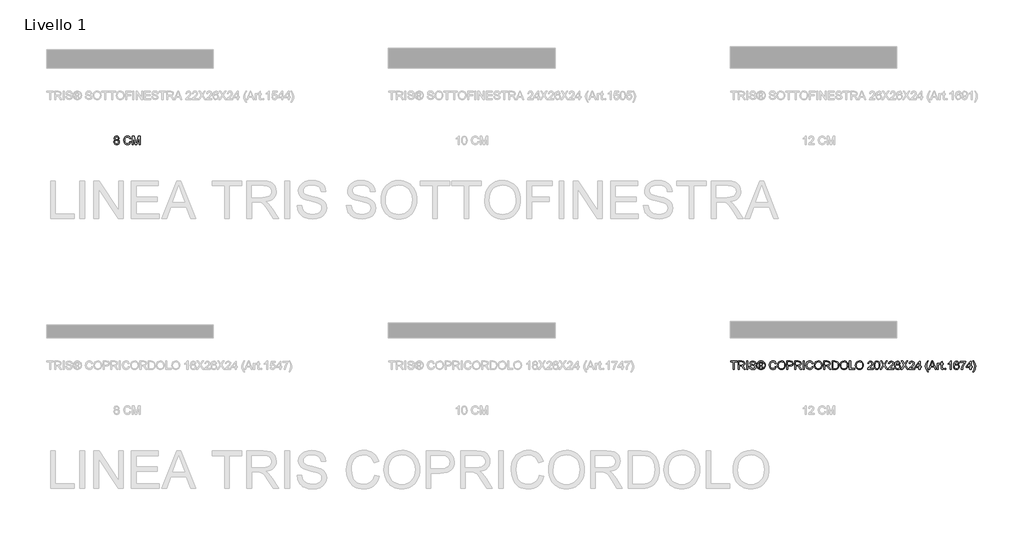
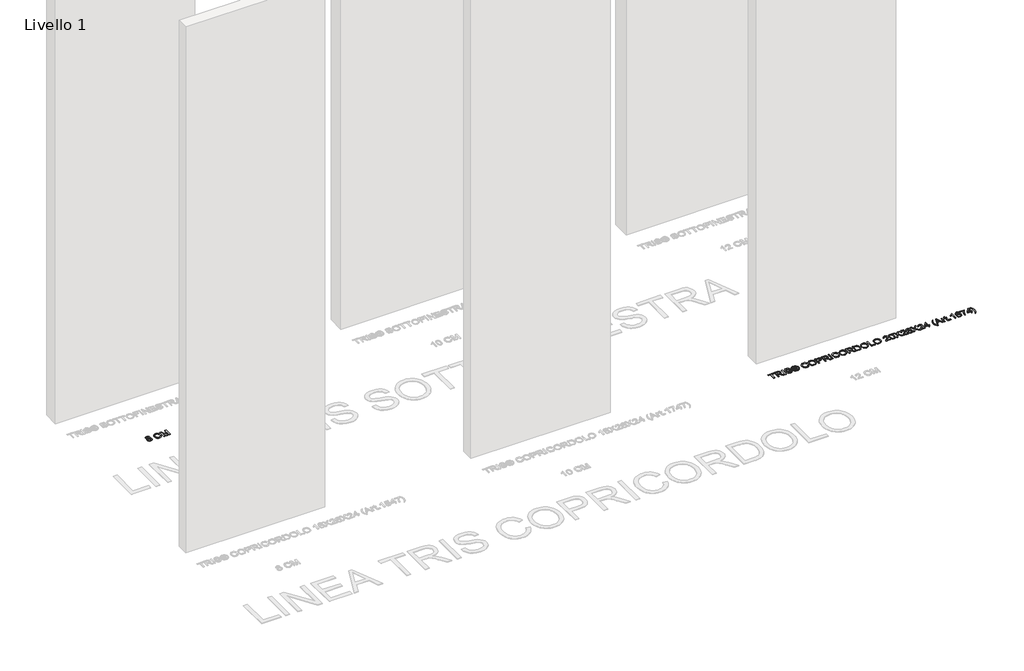
# One storey, part 4 of 16: 2 proxies.
"""IFC4 building model written with IfcOpenShell, lengths in millimetres."""

from ifc_helpers import new_model, si_unit, origin, origin_with_axes, place, context, project, spatial, polyline, outline, extrude, element, save

model = new_model("IFC4")

# Units and contexts
model_context = context("Model", 3, world=origin())
ifc_project = project(units=[si_unit("LENGTHUNIT", "METRE", prefix="MILLI")], contexts=[model_context])

# Site, building, storey
site = spatial("IfcSite", under=ifc_project)
building = spatial("IfcBuilding", under=site)
storey = spatial("IfcBuildingStorey", under=building, Name="Livello 1", Elevation=0.0)

# Proxies
placement = place(None, origin())
element("IfcBuildingElementProxy", 1, Name="100", ObjectType="100", at=placement, inside=storey, context=model_context, shape_type="SweptSolid", body=[
    extrude(outline(polyline([(2625.2646003, -1780.9291431), (2625.2646003, -1693.0298717), (2592.3023735, -1693.0298717), (2592.3023735, -1680.472833), (2670.7838658, -1680.472833), (2670.7838658, -1693.0298717), (2637.8216391, -1693.0298717), (2637.8216391, -1780.9291431), (2625.2646003, -1780.9291431)])), origin_with_axes(), (0.0, 0.0, 1.0), 5.0),
    extrude(outline(polyline([(2684.9105345, -1780.9291431), (2684.9105345, -1680.472833), (2728.1979826, -1680.472833), (2748.2966022, -1683.182897), (2759.2840112, -1692.7723543), (2763.3920268, -1707.9658807), (2761.6905725, -1717.8619064), (2756.5862099, -1726.0656749), (2747.9256546, -1732.0805455), (2735.5556225, -1735.4098776), (2742.6925332, -1740.7809547), (2752.8706017, -1753.7058755), (2769.6214952, -1780.9291431), (2755.0288427, -1780.9291431), (2741.9567692, -1760.1070222), (2732.5144646, -1746.3237101), (2725.880326, -1739.8121988), (2719.9083749, -1737.4209658), (2712.6243114, -1736.9795074), (2697.4675732, -1736.9795074), (2697.4675732, -1780.9291431), (2684.9105345, -1780.9291431)]), holes=[polyline([(2697.4675732, -1724.4224686), (2725.5737577, -1724.4224686), (2739.9088927, -1722.6443723), (2748.0513476, -1716.9544641), (2750.834988, -1708.4318646), (2745.5252245, -1697.3708793), (2728.7375428, -1693.0298717), (2697.4675732, -1693.0298717), (2697.4675732, -1724.4224686)])]), origin_with_axes(), (0.0, 0.0, 1.0), 5.0),
    extrude(outline(polyline([(2786.9364745, -1780.9291431), (2786.9364745, -1680.472833), (2799.4935132, -1680.472833), (2799.4935132, -1780.9291431), (2786.9364745, -1780.9291431)])), origin_with_axes(), (0.0, 0.0, 1.0), 5.0),
    extrude(outline(polyline([(2819.8987012, -1746.3972865), (2832.45574, -1746.3972865), (2836.5024419, -1758.966588), (2846.3862049, -1766.9128391), (2861.4448412, -1769.9417342), (2874.5659657, -1767.6486031), (2883.0395143, -1761.3455582), (2885.8231548, -1752.9210605), (2883.7384901, -1745.085174), (2875.2036278, -1739.3830031), (2856.9198927, -1734.5882744), (2837.2382059, -1728.3955942), (2826.5573653, -1719.0513915), (2823.0379609, -1706.5679291), (2827.3912312, -1692.3554214), (2840.1076855, -1682.3245057), (2858.7225144, -1678.9032031), (2878.5881422, -1682.4839212), (2891.831894, -1693.0053463), (2896.8105637, -1708.7261702), (2884.2535249, -1708.7261702), (2881.9481311, -1701.2336402), (2877.1411397, -1695.8257749), (2859.2130238, -1691.4602419), (2841.2358569, -1695.7767239), (2835.5949997, -1706.2000471), (2839.5926507, -1714.9065877), (2860.0959406, -1721.9208711), (2882.3160131, -1728.2239159), (2894.4683816, -1738.4019845), (2898.3801935, -1752.6022295), (2893.8797705, -1767.6240776), (2880.9303242, -1778.5869611), (2861.9353505, -1782.4987729), (2839.5068116, -1778.2803927), (2825.3188293, -1765.5762012), (2819.8987012, -1746.3972865)])), origin_with_axes(), (0.0, 0.0, 1.0), 5.0),
    extrude(outline(polyline([(2934.48168, -1762.0935849), (2934.48168, -1699.3083911), (2954.7642407, -1699.3083911), (2969.822877, -1701.0374365), (2977.2418306, -1707.0707012), (2980.0009455, -1716.2309629), (2975.2430051, -1728.1503395), (2962.6369154, -1733.8402477), (2967.5420086, -1737.1757111), (2976.1013964, -1749.7082244), (2983.1402052, -1762.0935849), (2972.5452038, -1762.0935849), (2967.0269738, -1752.1362456), (2957.780873, -1737.7152714), (2949.7610455, -1735.4098776), (2943.8994591, -1735.4098776), (2943.8994591, -1762.0935849), (2934.48168, -1762.0935849)]), holes=[polyline([(2943.8994591, -1725.9920985), (2955.8188357, -1725.9920985), (2967.4684322, -1723.6008655), (2970.5831664, -1717.2610325), (2969.087113, -1712.6992957), (2964.9300465, -1709.7071888), (2955.0585463, -1708.7261702), (2943.8994591, -1708.7261702), (2943.8994591, -1725.9920985)])]), origin_with_axes(), (0.0, 0.0, 1.0), 5.0),
    extrude(outline(polyline([(2958.0506531, -1678.9032031), (2970.9449171, -1680.5770662), (2983.5326127, -1685.5986554), (2994.5905323, -1693.7349789), (3002.8954684, -1704.7530446), (3008.0918015, -1717.4756303), (3009.8239126, -1730.7255135), (3008.116327, -1743.8589007), (3002.9935702, -1756.4772532), (2994.7898017, -1767.455465), (2983.839181, -1775.6684306), (2971.2300256, -1780.7911874), (2958.0506531, -1782.4987729), (2944.8896748, -1780.7911874), (2932.2866507, -1775.6684306), (2921.326833, -1767.455465), (2913.0954733, -1756.4772532), (2907.9451254, -1743.8589007), (2906.2283428, -1730.7255135), (2907.9696509, -1717.4756303), (2913.1935752, -1704.7530446), (2921.5261024, -1693.7349789), (2932.5932191, -1685.5986554), (2945.1747833, -1680.5770662), (2958.0506531, -1678.9032031)]), holes=[polyline([(2958.0506531, -1688.3209822), (2937.2285322, -1693.8024239), (2928.2000949, -1700.4641537), (2921.3728182, -1709.4864596), (2915.6461218, -1730.7255135), (2921.2624536, -1751.7806263), (2936.9832776, -1767.4646621), (2958.0506531, -1773.0809939), (2979.1302915, -1767.4646621), (2994.8143272, -1751.7806263), (3000.4061335, -1730.7255135), (2994.7162253, -1709.4864596), (2987.9073427, -1700.4641537), (2978.8605113, -1693.8024239), (2958.0506531, -1688.3209822)])]), origin_with_axes(), (0.0, 0.0, 1.0), 5.0),
    extrude(outline(polyline([(3130.6854107, -1745.2200641), (3143.2424495, -1748.4574257), (3137.4483081, -1763.089932), (3128.3554914, -1773.7799697), (3116.4115893, -1780.3190721), (3102.0641915, -1782.4987729), (3087.4991302, -1780.8494353), (3075.9323071, -1775.9014225), (3067.066351, -1767.8264127), (3060.6038907, -1756.7960842), (3055.3431781, -1729.9406986), (3056.8300345, -1715.2928638), (3061.2906037, -1702.6438545), (3068.4918938, -1692.3952753), (3078.2009128, -1684.9487306), (3089.7156192, -1680.414585), (3102.3339717, -1678.9032031), (3116.1019553, -1680.859109), (3127.4848374, -1686.7268269), (3136.1269986, -1696.1446059), (3141.6728197, -1708.7506956), (3129.1157809, -1711.7428025), (3118.815085, -1696.3040215), (3101.8434623, -1691.4602419), (3082.1985638, -1696.831319), (3071.1007903, -1711.2522932), (3067.9002169, -1729.9161731), (3071.6894015, -1751.5476344), (3083.4861508, -1765.3677347), (3100.8133927, -1769.9417342), (3111.2949639, -1768.3843671), (3120.0290956, -1763.7122657), (3126.6233804, -1755.9744811), (3130.6854107, -1745.2200641)])), origin_with_axes(), (0.0, 0.0, 1.0), 5.0),
    extrude(outline(polyline([(3155.7994883, -1732.0253632), (3159.1472144, -1709.8114221), (3169.1903929, -1693.0053463), (3184.5249407, -1682.4287389), (3203.746775, -1678.9032031), (3216.9230818, -1680.5586721), (3228.7382252, -1685.525079), (3238.5484117, -1693.452936), (3245.7098479, -1703.9927552), (3250.0876437, -1716.6356331), (3251.5469089, -1730.8726663), (3250.0110016, -1745.2997719), (3245.4032796, -1758.1204594), (3237.9781946, -1768.6786727), (3227.9901985, -1776.3183554), (3216.2762226, -1780.9536686), (3203.6731986, -1782.4987729), (3190.2945567, -1780.7911874), (3178.4119683, -1775.6684306), (3168.6263072, -1767.5934208), (3161.5384474, -1757.0290761), (3155.7994883, -1732.0253632)]), holes=[polyline([(3168.3565271, -1732.1479905), (3170.8673217, -1747.8626831), (3178.3997055, -1759.837242), (3189.7212739, -1767.4156111), (3203.5996222, -1769.9417342), (3217.6803056, -1767.3910857), (3229.0202681, -1759.7391402), (3236.4974696, -1747.3966992), (3238.9898701, -1730.7745644), (3234.722439, -1710.0505454), (3222.2512393, -1696.3285469), (3203.8203514, -1691.4602419), (3190.3129508, -1693.8054896), (3178.8289012, -1700.8412328), (3170.9746206, -1713.3584176), (3168.3565271, -1732.1479905)])]), origin_with_axes(), (0.0, 0.0, 1.0), 5.0),
    extrude(outline(polyline([(3268.8128372, -1780.9291431), (3268.8128372, -1680.472833), (3306.0424951, -1680.472833), (3321.0520805, -1681.4293261), (3333.2535, -1686.1259529), (3341.1629629, -1695.8380376), (3344.1550698, -1709.5355106), (3342.1347845, -1721.3751794), (3336.0739287, -1731.2405483), (3324.7400975, -1737.8992124), (3306.9008864, -1740.1187671), (3281.369876, -1740.1187671), (3281.369876, -1780.9291431), (3268.8128372, -1780.9291431)]), holes=[polyline([(3281.369876, -1727.5617283), (3307.6366504, -1727.5617283), (3326.1288521, -1722.9509407), (3330.2307363, -1717.4020539), (3331.598031, -1709.976969), (3328.3729322, -1699.5781712), (3319.8993836, -1693.888263), (3307.3423448, -1693.0298717), (3281.369876, -1693.0298717), (3281.369876, -1727.5617283)])]), origin_with_axes(), (0.0, 0.0, 1.0), 5.0),
    extrude(outline(polyline([(3361.4209981, -1780.9291431), (3361.4209981, -1680.472833), (3404.7084462, -1680.472833), (3424.8070659, -1683.182897), (3435.7944748, -1692.7723543), (3439.9024904, -1707.9658807), (3438.2010362, -1717.8619064), (3433.0966735, -1726.0656749), (3424.4361182, -1732.0805455), (3412.0660861, -1735.4098776), (3419.2029968, -1740.7809547), (3429.3810654, -1753.7058755), (3446.1319589, -1780.9291431), (3431.5393064, -1780.9291431), (3418.4672328, -1760.1070222), (3409.0249283, -1746.3237101), (3402.3907897, -1739.8121988), (3396.4188386, -1737.4209658), (3389.1347751, -1736.9795074), (3373.9780369, -1736.9795074), (3373.9780369, -1780.9291431), (3361.4209981, -1780.9291431)]), holes=[polyline([(3373.9780369, -1724.4224686), (3402.0842213, -1724.4224686), (3416.4193564, -1722.6443723), (3424.5618112, -1716.9544641), (3427.3454517, -1708.4318646), (3422.0356882, -1697.3708793), (3405.2480065, -1693.0298717), (3373.9780369, -1693.0298717), (3373.9780369, -1724.4224686)])]), origin_with_axes(), (0.0, 0.0, 1.0), 5.0),
    extrude(outline(polyline([(3463.4469381, -1780.9291431), (3463.4469381, -1680.472833), (3476.0039769, -1680.472833), (3476.0039769, -1780.9291431), (3463.4469381, -1780.9291431)])), origin_with_axes(), (0.0, 0.0, 1.0), 5.0),
    extrude(outline(polyline([(3571.7513975, -1745.2200641), (3584.3084363, -1748.4574257), (3578.5142948, -1763.089932), (3569.4214782, -1773.7799697), (3557.4775761, -1780.3190721), (3543.1301783, -1782.4987729), (3528.5651169, -1780.8494353), (3516.9982939, -1775.9014225), (3508.1323378, -1767.8264127), (3501.6698774, -1756.7960842), (3496.4091649, -1729.9406986), (3497.8960213, -1715.2928638), (3502.3565905, -1702.6438545), (3509.5578805, -1692.3952753), (3519.2668995, -1684.9487306), (3530.781606, -1680.414585), (3543.3999584, -1678.9032031), (3557.1679421, -1680.859109), (3568.5508241, -1686.7268269), (3577.1929853, -1696.1446059), (3582.7388064, -1708.7506956), (3570.1817677, -1711.7428025), (3559.8810718, -1696.3040215), (3542.9094491, -1691.4602419), (3523.2645505, -1696.831319), (3512.166777, -1711.2522932), (3508.9662037, -1729.9161731), (3512.7553882, -1751.5476344), (3524.5521375, -1765.3677347), (3541.8793795, -1769.9417342), (3552.3609507, -1768.3843671), (3561.0950824, -1763.7122657), (3567.6893671, -1755.9744811), (3571.7513975, -1745.2200641)])), origin_with_axes(), (0.0, 0.0, 1.0), 5.0),
    extrude(outline(polyline([(3596.865475, -1732.0253632), (3600.2132012, -1709.8114221), (3610.2563797, -1693.0053463), (3625.5909275, -1682.4287389), (3644.8127617, -1678.9032031), (3657.9890685, -1680.5586721), (3669.8042119, -1685.525079), (3679.6143985, -1693.452936), (3686.7758347, -1703.9927552), (3691.1536304, -1716.6356331), (3692.6128956, -1730.8726663), (3691.0769883, -1745.2997719), (3686.4692663, -1758.1204594), (3679.0441814, -1768.6786727), (3669.0561852, -1776.3183554), (3657.3422094, -1780.9536686), (3644.7391853, -1782.4987729), (3631.3605435, -1780.7911874), (3619.477955, -1775.6684306), (3609.6922939, -1767.5934208), (3602.6044342, -1757.0290761), (3596.865475, -1732.0253632)]), holes=[polyline([(3609.4225138, -1732.1479905), (3611.9333084, -1747.8626831), (3619.4656923, -1759.837242), (3630.7872607, -1767.4156111), (3644.6656089, -1769.9417342), (3658.7462923, -1767.3910857), (3670.0862548, -1759.7391402), (3677.5634564, -1747.3966992), (3680.0558569, -1730.7745644), (3675.7884257, -1710.0505454), (3663.3172261, -1696.3285469), (3644.8863381, -1691.4602419), (3631.3789376, -1693.8054896), (3619.8948879, -1700.8412328), (3612.0406073, -1713.3584176), (3609.4225138, -1732.1479905)])]), origin_with_axes(), (0.0, 0.0, 1.0), 5.0),
    extrude(outline(polyline([(3709.878824, -1780.9291431), (3709.878824, -1680.472833), (3753.1662721, -1680.472833), (3773.2648917, -1683.182897), (3784.2523006, -1692.7723543), (3788.3603163, -1707.9658807), (3786.658862, -1717.8619064), (3781.5544993, -1726.0656749), (3772.893944, -1732.0805455), (3760.523912, -1735.4098776), (3767.6608227, -1740.7809547), (3777.8388912, -1753.7058755), (3794.5897847, -1780.9291431), (3779.9971322, -1780.9291431), (3766.9250587, -1760.1070222), (3757.4827541, -1746.3237101), (3750.8486155, -1739.8121988), (3744.8766644, -1737.4209658), (3737.5926009, -1736.9795074), (3722.4358627, -1736.9795074), (3722.4358627, -1780.9291431), (3709.878824, -1780.9291431)]), holes=[polyline([(3722.4358627, -1724.4224686), (3750.5420472, -1724.4224686), (3764.8771822, -1722.6443723), (3773.0196371, -1716.9544641), (3775.8032775, -1708.4318646), (3770.493514, -1697.3708793), (3753.7058323, -1693.0298717), (3722.4358627, -1693.0298717), (3722.4358627, -1724.4224686)])]), origin_with_axes(), (0.0, 0.0, 1.0), 5.0),
    extrude(outline(polyline([(3810.3351341, -1780.9291431), (3810.3351341, -1680.472833), (3844.9896181, -1680.472833), (3862.9177339, -1681.9198355), (3877.6820647, -1689.1057971), (3889.5769159, -1706.2736235), (3893.5255159, -1730.1614278), (3890.8522401, -1750.4317257), (3883.9851095, -1765.0611664), (3874.8125851, -1774.1723771), (3862.8073694, -1779.2123605), (3846.6573498, -1780.9291431), (3810.3351341, -1780.9291431)]), holes=[polyline([(3822.8921729, -1768.3721043), (3845.1122454, -1768.3721043), (3861.2745277, -1766.5572198), (3870.5942049, -1761.4313974), (3878.2338877, -1748.9601977), (3880.9684772, -1729.965224), (3879.6287736, -1716.2800138), (3875.6096628, -1706.1755217), (3862.5743774, -1695.04096), (3844.7688889, -1693.0298717), (3822.8921729, -1693.0298717), (3822.8921729, -1768.3721043)])]), origin_with_axes(), (0.0, 0.0, 1.0), 5.0),
    extrude(outline(polyline([(3906.0825547, -1732.0253632), (3909.4302809, -1709.8114221), (3919.4734593, -1693.0053463), (3934.8080072, -1682.4287389), (3954.0298414, -1678.9032031), (3967.2061482, -1680.5586721), (3979.0212916, -1685.525079), (3988.8314782, -1693.452936), (3995.9929143, -1703.9927552), (4000.3707101, -1716.6356331), (4001.8299753, -1730.8726663), (4000.294068, -1745.2997719), (3995.686346, -1758.1204594), (3988.2612611, -1768.6786727), (3978.2732649, -1776.3183554), (3966.559289, -1780.9536686), (3953.956265, -1782.4987729), (3940.5776231, -1780.7911874), (3928.6950347, -1775.6684306), (3918.9093736, -1767.5934208), (3911.8215138, -1757.0290761), (3906.0825547, -1732.0253632)]), holes=[polyline([(3918.6395935, -1732.1479905), (3921.1503881, -1747.8626831), (3928.682772, -1759.837242), (3940.0043404, -1767.4156111), (3953.8826886, -1769.9417342), (3967.963372, -1767.3910857), (3979.3033345, -1759.7391402), (3986.780536, -1747.3966992), (3989.2729366, -1730.7745644), (3985.0055054, -1710.0505454), (3972.5343058, -1696.3285469), (3954.1034178, -1691.4602419), (3940.5960172, -1693.8054896), (3929.1119676, -1700.8412328), (3921.257687, -1713.3584176), (3918.6395935, -1732.1479905)])]), origin_with_axes(), (0.0, 0.0, 1.0), 5.0),
    extrude(outline(polyline([(4019.0959036, -1780.9291431), (4019.0959036, -1680.472833), (4031.6529424, -1680.472833), (4031.6529424, -1768.3721043), (4081.8810975, -1768.3721043), (4081.8810975, -1780.9291431), (4019.0959036, -1780.9291431)])), origin_with_axes(), (0.0, 0.0, 1.0), 5.0),
    extrude(outline(polyline([(4091.2988766, -1732.0253632), (4094.6466027, -1709.8114221), (4104.6897812, -1693.0053463), (4120.024329, -1682.4287389), (4139.2461633, -1678.9032031), (4152.4224701, -1680.5586721), (4164.2376135, -1685.525079), (4174.0478, -1693.452936), (4181.2092362, -1703.9927552), (4185.5870319, -1716.6356331), (4187.0462972, -1730.8726663), (4185.5103898, -1745.2997719), (4180.9026678, -1758.1204594), (4173.4775829, -1768.6786727), (4163.4895867, -1776.3183554), (4151.7756109, -1780.9536686), (4139.1725869, -1782.4987729), (4125.793945, -1780.7911874), (4113.9113565, -1775.6684306), (4104.1256955, -1767.5934208), (4097.0378357, -1757.0290761), (4091.2988766, -1732.0253632)]), holes=[polyline([(4103.8559153, -1732.1479905), (4106.3667099, -1747.8626831), (4113.8990938, -1759.837242), (4125.2206622, -1767.4156111), (4139.0990105, -1769.9417342), (4153.1796938, -1767.3910857), (4164.5196563, -1759.7391402), (4171.9968579, -1747.3966992), (4174.4892584, -1730.7745644), (4170.2218273, -1710.0505454), (4157.7506276, -1696.3285469), (4139.3197397, -1691.4602419), (4125.8123391, -1693.8054896), (4114.3282895, -1700.8412328), (4106.4740089, -1713.3584176), (4103.8559153, -1732.1479905)])]), origin_with_axes(), (0.0, 0.0, 1.0), 5.0),
    extrude(outline(polyline([(4303.1989058, -1768.3721043), (4303.1989058, -1780.9291431), (4237.2744522, -1780.9291431), (4238.6233529, -1772.2716535), (4246.2507729, -1758.9420625), (4261.9715969, -1744.3861982), (4283.6521091, -1723.4659755), (4289.0722372, -1709.241205), (4283.9586774, -1697.7264985), (4270.604561, -1693.0298717), (4256.6863589, -1697.6161339), (4251.4011209, -1710.2958), (4238.8440821, -1708.7261702), (4241.8883056, -1696.579933), (4248.4703276, -1687.7078455), (4258.2467916, -1682.2815861), (4270.8743411, -1680.472833), (4283.5938611, -1682.4839212), (4293.351931, -1688.5171859), (4299.5599397, -1697.5302948), (4301.6292759, -1708.4809155), (4299.3974585, -1720.3880294), (4291.9785049, -1732.6998135), (4273.9890754, -1749.9044282), (4259.5435757, -1761.9832203), (4253.878193, -1768.3721043), (4303.1989058, -1768.3721043)])), origin_with_axes(), (0.0, 0.0, 1.0), 5.0),
    extrude(outline(polyline([(4315.7559445, -1731.5103284), (4319.4470272, -1702.6070663), (4330.4099107, -1685.9420119), (4348.7181713, -1680.472833), (4363.3844002, -1683.7101945), (4373.5134178, -1693.0421345), (4379.3995297, -1707.9045671), (4381.6803981, -1731.5103284), (4378.0261036, -1760.2909632), (4367.1000083, -1776.9928058), (4358.8686487, -1781.1222811), (4348.7181713, -1782.4987729), (4335.6706232, -1780.10754), (4325.7623348, -1772.9338411), (4318.2575421, -1755.9438243), (4315.7559445, -1731.5103284)]), holes=[polyline([(4328.3129833, -1731.4858029), (4329.7845113, -1751.2380004), (4334.1990952, -1762.6699334), (4340.7719202, -1768.123784), (4348.7181713, -1769.9417342), (4356.6644224, -1768.1176526), (4363.2372474, -1762.6454079), (4367.6518313, -1751.2073436), (4369.1233593, -1731.4858029), (4367.7008823, -1712.1781296), (4363.4334511, -1700.6572918), (4356.8728889, -1694.9367267), (4348.5710185, -1693.0298717), (4340.7106066, -1694.7098662), (4334.395299, -1699.7498495), (4329.8335622, -1711.9880572), (4328.3129833, -1731.4858029)])]), origin_with_axes(), (0.0, 0.0, 1.0), 5.0),
    extrude(outline(polyline([(4386.3892876, -1780.9291431), (4425.114999, -1726.1883022), (4392.667807, -1680.472833), (4407.7264433, -1680.472833), (4425.9979158, -1706.2000471), (4432.1538078, -1716.2309629), (4439.3642949, -1706.0283689), (4457.4395636, -1680.472833), (4472.7189292, -1680.472833), (4440.2717372, -1726.335455), (4478.9974485, -1780.9291431), (4463.9388122, -1780.9291431), (4438.1380216, -1744.533351), (4432.7669445, -1736.9795074), (4426.8563071, -1745.269115), (4401.6686532, -1780.9291431), (4386.3892876, -1780.9291431)])), origin_with_axes(), (0.0, 0.0, 1.0), 5.0),
    extrude(outline(polyline([(4551.2004215, -1768.3721043), (4551.2004215, -1780.9291431), (4485.2759679, -1780.9291431), (4486.6248686, -1772.2716535), (4494.2522886, -1758.9420625), (4509.9731125, -1744.3861982), (4531.6536248, -1723.4659755), (4537.0737528, -1709.241205), (4531.9601931, -1697.7264985), (4518.6060767, -1693.0298717), (4504.6878745, -1697.6161339), (4499.4026365, -1710.2958), (4486.8455978, -1708.7261702), (4489.8898213, -1696.579933), (4496.4718433, -1687.7078455), (4506.2483073, -1682.2815861), (4518.8758568, -1680.472833), (4531.5953768, -1682.4839212), (4541.3534467, -1688.5171859), (4547.5614554, -1697.5302948), (4549.6307916, -1708.4809155), (4547.3989742, -1720.3880294), (4539.9800206, -1732.6998135), (4521.990591, -1749.9044282), (4507.5450914, -1761.9832203), (4501.8797086, -1768.3721043), (4551.2004215, -1768.3721043)])), origin_with_axes(), (0.0, 0.0, 1.0), 5.0),
    extrude(outline(polyline([(4628.1122839, -1707.1565403), (4615.5552451, -1708.7261702), (4610.7973047, -1698.2537961), (4598.2157404, -1693.0298717), (4586.884975, -1696.0710295), (4578.3133245, -1707.4876341), (4574.7448691, -1729.8671222), (4585.8181172, -1719.8484692), (4599.5401156, -1716.5743194), (4611.1406612, -1718.8122682), (4620.8772713, -1725.5261146), (4627.4807532, -1735.7838909), (4629.6819138, -1748.6536294), (4625.53711, -1765.9808714), (4614.1327681, -1778.2436045), (4597.6761802, -1782.4987729), (4583.4299499, -1779.6783443), (4572.0838561, -1771.2170584), (4564.6618368, -1756.2810494), (4562.1878304, -1734.0364514), (4564.9346826, -1709.0266071), (4573.1752393, -1691.9262257), (4584.426297, -1683.3361811), (4599.0005554, -1680.472833), (4610.0186211, -1682.2447979), (4618.8416576, -1687.5606927), (4625.0220752, -1696.0035845), (4628.1122839, -1707.1565403)]), holes=[polyline([(4574.7448691, -1748.4574257), (4577.6511369, -1759.33447), (4585.3766588, -1767.2316701), (4596.6951615, -1769.9417342), (4604.9817035, -1768.5376512), (4611.4962805, -1764.3254024), (4615.7177264, -1757.7035265), (4617.124875, -1749.0705623), (4615.7361205, -1740.7840204), (4611.5698569, -1734.4656471), (4604.9449153, -1730.4649304), (4596.1801267, -1729.1313582), (4580.9866003, -1734.4656471), (4576.3053019, -1740.6307362), (4574.7448691, -1748.4574257)])]), origin_with_axes(), (0.0, 0.0, 1.0), 5.0),
    extrude(outline(polyline([(4634.3908033, -1780.9291431), (4673.1165147, -1726.1883022), (4640.6693227, -1680.472833), (4655.727959, -1680.472833), (4673.9994314, -1706.2000471), (4680.1553235, -1716.2309629), (4687.3658106, -1706.0283689), (4705.4410793, -1680.472833), (4720.7204448, -1680.472833), (4688.2732529, -1726.335455), (4726.9989642, -1780.9291431), (4711.9403279, -1780.9291431), (4686.1395373, -1744.533351), (4680.7684602, -1736.9795074), (4674.8578228, -1745.269115), (4649.6701688, -1780.9291431), (4634.3908033, -1780.9291431)])), origin_with_axes(), (0.0, 0.0, 1.0), 5.0),
    extrude(outline(polyline([(4799.2019371, -1768.3721043), (4799.2019371, -1780.9291431), (4733.2774836, -1780.9291431), (4734.6263843, -1772.2716535), (4742.2538043, -1758.9420625), (4757.9746282, -1744.3861982), (4779.6551405, -1723.4659755), (4785.0752685, -1709.241205), (4779.9617088, -1697.7264985), (4766.6075924, -1693.0298717), (4752.6893902, -1697.6161339), (4747.4041522, -1710.2958), (4734.8471135, -1708.7261702), (4737.891337, -1696.579933), (4744.473359, -1687.7078455), (4754.249823, -1682.2815861), (4766.8773725, -1680.472833), (4779.5968925, -1682.4839212), (4789.3549624, -1688.5171859), (4795.5629711, -1697.5302948), (4797.6323073, -1708.4809155), (4795.4004899, -1720.3880294), (4787.9815363, -1732.6998135), (4769.9921067, -1749.9044282), (4755.546607, -1761.9832203), (4749.8812243, -1768.3721043), (4799.2019371, -1768.3721043)])), origin_with_axes(), (0.0, 0.0, 1.0), 5.0),
    extrude(outline(polyline([(4852.5693519, -1780.9291431), (4852.5693519, -1757.3846954), (4807.0500864, -1757.3846954), (4807.0500864, -1744.8276566), (4855.7086116, -1682.0424628), (4865.1263907, -1682.0424628), (4865.1263907, -1744.8276566), (4877.6834294, -1744.8276566), (4877.6834294, -1757.3846954), (4865.1263907, -1757.3846954), (4865.1263907, -1780.9291431), (4852.5693519, -1780.9291431)]), holes=[polyline([(4852.5693519, -1744.8276566), (4852.5693519, -1706.0283689), (4822.5011302, -1744.8276566), (4852.5693519, -1744.8276566)])]), origin_with_axes(), (0.0, 0.0, 1.0), 5.0),
    extrude(outline(polyline([(4956.1649217, -1809.1824803), (4938.3349077, -1779.7273952), (4932.8718601, -1762.5473061), (4931.0508442, -1744.7540802), (4936.4954977, -1714.2198746), (4956.1649217, -1680.472833), (4965.5827008, -1680.472833), (4953.8350024, -1700.3629862), (4946.7716681, -1719.6400027), (4943.607883, -1744.8276566), (4949.1015874, -1777.0173312), (4965.5827008, -1809.1824803), (4956.1649217, -1809.1824803)])), origin_with_axes(), (0.0, 0.0, 1.0), 5.0),
    extrude(outline(polyline([(4968.010722, -1780.9291431), (5008.1098595, -1680.472833), (5018.8029628, -1680.472833), (5058.9021003, -1780.9291431), (5045.633823, -1780.9291431), (5034.1313793, -1749.5365462), (4992.7569175, -1749.5365462), (4981.2789993, -1780.9291431), (4968.010722, -1780.9291431)]), holes=[polyline([(4997.3677052, -1736.9795074), (5029.5451171, -1736.9795074), (5020.49522, -1712.2823628), (5013.4564111, -1693.0298717), (5007.2024172, -1710.1241218), (4997.3677052, -1736.9795074)])]), origin_with_axes(), (0.0, 0.0, 1.0), 5.0),
    extrude(outline(polyline([(5070.7479005, -1780.9291431), (5070.7479005, -1707.1565403), (5081.7353094, -1707.1565403), (5081.7353094, -1718.0703729), (5089.5344077, -1708.0149317), (5097.382557, -1705.5869105), (5109.9886467, -1709.4619342), (5105.7947919, -1720.7191232), (5096.965624, -1718.1439493), (5089.8655015, -1720.6210214), (5085.340553, -1727.4881519), (5083.3049393, -1742.1543808), (5083.3049393, -1780.9291431), (5070.7479005, -1780.9291431)])), origin_with_axes(), (0.0, 0.0, 1.0), 5.0),
    extrude(outline(polyline([(5144.5205033, -1770.456769), (5146.0901331, -1781.2970251), (5136.6968795, -1782.4987729), (5126.1754545, -1780.4141083), (5120.9270047, -1774.9449293), (5119.4064257, -1760.6956334), (5119.4064257, -1719.7135791), (5109.9886467, -1719.7135791), (5109.9886467, -1707.1565403), (5119.4064257, -1707.1565403), (5119.4064257, -1689.2284244), (5131.9634645, -1681.8462591), (5131.9634645, -1707.1565403), (5144.5205033, -1707.1565403), (5144.5205033, -1719.7135791), (5131.9634645, -1719.7135791), (5131.9634645, -1760.3277514), (5132.6256521, -1766.8024745), (5134.7716304, -1769.0956056), (5139.0513243, -1769.9417342), (5144.5205033, -1770.456769)])), origin_with_axes(), (0.0, 0.0, 1.0), 5.0),
    extrude(outline(polyline([(5160.2168017, -1780.9291431), (5160.2168017, -1768.3721043), (5172.7738405, -1768.3721043), (5172.7738405, -1780.9291431), (5160.2168017, -1780.9291431)])), origin_with_axes(), (0.0, 0.0, 1.0), 5.0),
    extrude(outline(polyline([(5240.2679239, -1780.9291431), (5227.7108851, -1780.9291431), (5227.7108851, -1702.6438545), (5215.8160339, -1711.1174031), (5202.5968076, -1717.4572362), (5202.5968076, -1705.5869105), (5221.0031701, -1693.8392121), (5232.17452, -1680.472833), (5240.2679239, -1680.472833), (5240.2679239, -1780.9291431)])), origin_with_axes(), (0.0, 0.0, 1.0), 5.0),
    extrude(outline(polyline([(5334.4457147, -1707.1565403), (5321.8886759, -1708.7261702), (5317.1307354, -1698.2537961), (5304.5491712, -1693.0298717), (5293.2184057, -1696.0710295), (5284.6467552, -1707.4876341), (5281.0782999, -1729.8671222), (5292.1515479, -1719.8484692), (5305.8735464, -1716.5743194), (5317.4740919, -1718.8122682), (5327.2107021, -1725.5261146), (5333.8141839, -1735.7838909), (5336.0153445, -1748.6536294), (5331.8705407, -1765.9808714), (5320.4661988, -1778.2436045), (5304.0096109, -1782.4987729), (5289.7633807, -1779.6783443), (5278.4172868, -1771.2170584), (5270.9952675, -1756.2810494), (5268.5212611, -1734.0364514), (5271.2681134, -1709.0266071), (5279.50867, -1691.9262257), (5290.7597277, -1683.3361811), (5305.3339861, -1680.472833), (5316.3520519, -1682.2447979), (5325.1750884, -1687.5606927), (5331.3555059, -1696.0035845), (5334.4457147, -1707.1565403)]), holes=[polyline([(5281.0782999, -1748.4574257), (5283.9845677, -1759.33447), (5291.7100895, -1767.2316701), (5303.0285923, -1769.9417342), (5311.3151342, -1768.5376512), (5317.8297112, -1764.3254024), (5322.0511571, -1757.7035265), (5323.4583057, -1749.0705623), (5322.0695512, -1740.7840204), (5317.9032876, -1734.4656471), (5311.278346, -1730.4649304), (5302.5135575, -1729.1313582), (5287.3200311, -1734.4656471), (5282.6387327, -1740.6307362), (5281.0782999, -1748.4574257)])]), origin_with_axes(), (0.0, 0.0, 1.0), 5.0),
    extrude(outline(polyline([(5347.0027534, -1694.5995016), (5347.0027534, -1682.0424628), (5412.927207, -1682.0424628), (5412.927207, -1692.1960059), (5394.2265389, -1719.210807), (5379.9159293, -1753.6322991), (5375.2560907, -1780.9291431), (5362.6990519, -1780.9291431), (5367.6899843, -1752.6022295), (5381.3874572, -1720.5842332), (5400.3701682, -1694.5995016), (5347.0027534, -1694.5995016)])), origin_with_axes(), (0.0, 0.0, 1.0), 5.0),
    extrude(outline(polyline([(5464.7249919, -1780.9291431), (5464.7249919, -1757.3846954), (5419.2057263, -1757.3846954), (5419.2057263, -1744.8276566), (5467.8642516, -1682.0424628), (5477.2820306, -1682.0424628), (5477.2820306, -1744.8276566), (5489.8390694, -1744.8276566), (5489.8390694, -1757.3846954), (5477.2820306, -1757.3846954), (5477.2820306, -1780.9291431), (5464.7249919, -1780.9291431)]), holes=[polyline([(5464.7249919, -1744.8276566), (5464.7249919, -1706.0283689), (5434.6567701, -1744.8276566), (5464.7249919, -1744.8276566)])]), origin_with_axes(), (0.0, 0.0, 1.0), 5.0),
    extrude(outline(polyline([(5507.1049977, -1809.1824803), (5497.6872186, -1809.1824803), (5514.168332, -1777.0173312), (5519.6620365, -1744.8276566), (5516.4982513, -1719.8607319), (5509.5084934, -1700.5591899), (5497.6872186, -1680.472833), (5507.1049977, -1680.472833), (5526.7744217, -1714.2198746), (5532.2190753, -1744.7540802), (5530.3888623, -1762.5473061), (5524.8982236, -1779.7273952), (5507.1049977, -1809.1824803)])), origin_with_axes(), (0.0, 0.0, 1.0), 5.0),
])
element("IfcBuildingElementProxy", 2, Name="100", ObjectType="100", at=placement, inside=storey, context=model_context, shape_type="SweptSolid", body=[
    extrude(outline(polyline([(-4784.880499, 975.4704209), (-4796.3216291, 983.2695192), (-4800.0372372, 995.409625), (-4798.0138862, 1005.2259429), (-4791.9438333, 1013.3377409), (-4782.5076601, 1018.7823944), (-4770.3859484, 1020.5972789), (-4758.1906603, 1018.7394749), (-4748.6318598, 1013.1660626), (-4742.4514422, 1004.925506), (-4740.3913031, 995.0662685), (-4744.0578603, 983.232731), (-4755.1801593, 975.4704209), (-4741.8260428, 965.6234461), (-4737.2520434, 949.3753247), (-4739.520649, 937.3701089), (-4746.3264659, 927.4495578), (-4756.8356283, 920.7908937), (-4770.2142701, 918.571339), (-4783.592912, 920.8000907), (-4794.1020744, 927.486346), (-4800.9078913, 937.5019333), (-4803.1764969, 949.7186812), (-4798.4185564, 966.3469474), (-4784.880499, 975.4704209)]), holes=[polyline([(-4790.6194581, 950.1601396), (-4788.5225308, 940.7055723), (-4781.1035772, 933.6299753), (-4770.1161683, 931.1283777), (-4761.5690433, 932.4435559), (-4755.1556338, 936.3890903), (-4749.8090821, 949.7677321), (-4755.3273121, 963.4038914), (-4761.8878743, 967.4505934), (-4770.5331012, 968.799494), (-4778.9606646, 967.4689875), (-4785.3096947, 963.4774678), (-4790.6194581, 950.1601396)]), polyline([(-4787.4801985, 995.041743), (-4783.0288263, 985.1825055), (-4770.0671173, 981.3565328), (-4757.3629258, 985.1579801), (-4752.9483418, 994.4776573), (-4757.5100786, 1004.1284283), (-4770.2142701, 1008.0402402), (-4782.9552499, 1004.2142674), (-4787.4801985, 995.041743)])]), origin_with_axes(), (0.0, 0.0, 1.0), 5.0),
    extrude(outline(polyline([(-4611.6816557, 955.8500478), (-4599.1246169, 952.6126862), (-4604.9187583, 937.9801799), (-4614.011575, 927.2901422), (-4625.9554771, 920.7510398), (-4640.3028749, 918.571339), (-4654.8679362, 920.2206766), (-4666.4347593, 925.1686894), (-4675.3007154, 933.2436992), (-4681.7631758, 944.2740277), (-4687.0238883, 971.1294133), (-4685.5370319, 985.7772481), (-4681.0764627, 998.4262574), (-4673.8751727, 1008.6748366), (-4664.1661537, 1016.1213813), (-4652.6514472, 1020.6555269), (-4640.0330948, 1022.1669088), (-4626.2651111, 1020.2110029), (-4614.882229, 1014.343285), (-4606.2400678, 1004.925506), (-4600.6942468, 992.3194163), (-4613.2512855, 989.3273094), (-4623.5519814, 1004.7660904), (-4640.5236041, 1009.60987), (-4660.1685027, 1004.2387929), (-4671.2662762, 989.8178187), (-4674.4668495, 971.1539388), (-4670.677665, 949.5224775), (-4658.8809157, 935.7023772), (-4641.5536737, 931.1283777), (-4631.0721025, 932.6857448), (-4622.3379708, 937.3578462), (-4615.7436861, 945.0956308), (-4611.6816557, 955.8500478)])), origin_with_axes(), (0.0, 0.0, 1.0), 5.0),
    extrude(outline(polyline([(-4581.8586886, 920.1409688), (-4581.8586886, 1020.5972789), (-4560.2517528, 1020.5972789), (-4539.699412, 949.7922576), (-4535.5546082, 935.0034014), (-4531.0664478, 951.0185309), (-4510.8574635, 1020.5972789), (-4489.2505277, 1020.5972789), (-4489.2505277, 920.1409688), (-4501.8075665, 920.1409688), (-4501.8075665, 1008.0402402), (-4527.0442713, 920.1409688), (-4544.064945, 920.1409688), (-4569.3016498, 1008.0402402), (-4569.3016498, 920.1409688), (-4581.8586886, 920.1409688)])), origin_with_axes(), (0.0, 0.0, 1.0), 5.0),
])

save(model, "model.ifc")
